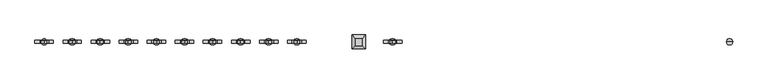
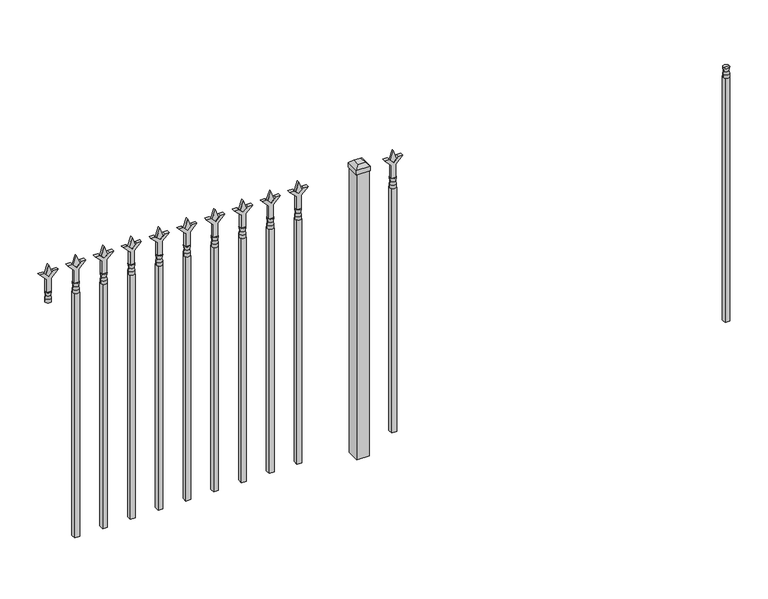
"""IFC4 building model written with IfcOpenShell, lengths in millimetres: railing geometry."""

from ifc_helpers import new_model, si_unit, frame, origin, origin_with_axes, place, context, project, spatial, polyline, circle_curve, outline, extrude, faceted_brep, source, transform, mapped, element, save
from ifc_brep_helpers import plane_surface, cylinder_surface, revolved_surface, advanced_brep


def railing_47d08b31(model_context):
    return source(origin(), model_context, "Body", "SolidModel", [
        advanced_brep(
        [(-76603.574337, -635.2570174, 1079.5), (-76627.386837, -635.2570174, 1079.5), (-76627.386837, -635.2570174, 1066.8), (-76603.574337, -635.2570174, 1066.8), (-76605.7796688, -635.2570174, 1092.0070585), (-76625.1815051, -635.2570174, 1092.0070585), (-76603.574337, -635.2570174, 1108.075), (-76627.386837, -635.2570174, 1108.075), (-76615.480587, -635.2570174, 1108.075), (-76615.480587, -635.2570174, 1066.8)],
        [
            (0, 1, circle_curve(frame((-76615.480587, -635.2570174, 1079.5), z_axis=(0.0, 0.0, -1.0), x_axis=(-1.0, 0.0, 0.0)), 11.90625)),
            (1, 2),
            (2, 3, circle_curve(frame((-76615.480587, -635.2570174, 1066.8), z_axis=(0.0, 0.0, 1.0), x_axis=(-1.0, 0.0, 0.0)), 11.90625)),
            (3, 0),
            (1, 0, circle_curve(frame((-76615.480587, -635.2570174, 1079.5), z_axis=(0.0, 0.0, -1.0), x_axis=(-1.0, 0.0, 0.0)), 11.90625)),
            (3, 2, circle_curve(frame((-76615.480587, -635.2570174, 1066.8), z_axis=(0.0, 0.0, 1.0), x_axis=(-1.0, 0.0, 0.0)), 11.90625)),
            (4, 5, circle_curve(frame((-76615.480587, -635.2570174, 1092.0070585), z_axis=(0.0, 0.0, -1.0), x_axis=(-1.0, 0.0, 0.0)), 9.7009181)),
            (5, 1),
            (0, 4),
            (5, 4, circle_curve(frame((-76615.480587, -635.2570174, 1092.0070585), z_axis=(0.0, 0.0, -1.0), x_axis=(-1.0, 0.0, 0.0)), 9.7009181)),
            (6, 7, circle_curve(frame((-76615.480587, -635.2570174, 1108.075), z_axis=(0.0, 0.0, -1.0), x_axis=(-1.0, 0.0, 0.0)), 11.90625)),
            (7, 5),
            (4, 6),
            (7, 6, circle_curve(frame((-76615.480587, -635.2570174, 1108.075), z_axis=(0.0, 0.0, -1.0), x_axis=(-1.0, 0.0, 0.0)), 11.90625)),
            (8, 7),
            (6, 8),
            (2, 9),
            (9, 3),
        ],
        [
            cylinder_surface(frame((-76615.480587, -635.2570174, 1066.8), z_axis=(0.0, 0.0, 1.0), x_axis=(-1.0, 0.0, 0.0)), 11.90625),
            revolved_surface(polyline([(-76627.386837, -635.2570174, 1079.5), (-76625.1815051, -635.2570174, 1092.0070585)]), (-76615.480587, -635.2570174, 1066.8), (0.0, 0.0, 1.0)),
            revolved_surface(polyline([(-76625.1815051, -635.2570174, 1092.0070585), (-76627.386837, -635.2570174, 1108.075)]), (-76615.480587, -635.2570174, 1066.8), (0.0, 0.0, 1.0)),
            plane_surface(frame((-76615.480587, -635.2570174, 1108.075), z_axis=(0.0, 0.0, 1.0), x_axis=(-1.0, 0.0, 0.0))),
            plane_surface(frame((-76615.480587, -635.2570174, 1066.8), z_axis=(0.0, 0.0, -1.0), x_axis=(-1.0, 0.0, 0.0))),
        ],
        [
            (0, [[1, 2, 3, 4]]),
            (0, [[5, -4, 6, -2]]),
            (1, [[7, 8, -1, 9]]),
            (1, [[10, -9, -5, -8]]),
            (2, [[11, 12, -7, 13]]),
            (2, [[14, -13, -10, -12]]),
            (3, [[15, -11, 16]]),
            (3, [[-16, -14, -15]]),
            (4, [[-3, 17, 18]]),
            (4, [[-6, -18, -17]]),
        ],
    ),
        extrude(outline(polyline([(-76625.005587, -625.7320174), (-76605.955587, -625.7320174), (-76605.955587, -644.7820174), (-76625.005587, -644.7820174), (-76625.005587, -625.7320174)])), frame((0.0, 0.0, 50.8), z_axis=(0.0, 0.0, 1.0), x_axis=(1.0, 0.0, 0.0)), (0.0, 0.0, 1.0), 1016.0),
        extrude(outline(polyline([(1183.48125, -77914.849337), (1219.2, -77926.755587), (1183.48125, -77938.661837), (1171.575, -77926.755587), (1183.48125, -77914.849337)])), frame((0.0, -640.0195174, 0.0), z_axis=(0.0, 1.0, 0.0), x_axis=(0.0, 0.0, 1.0)), (0.0, 0.0, 1.0), 9.525),
        extrude(outline(polyline([(1108.075, -77918.024337), (1162.3457378, -77918.024337), (1189.5355122, -77890.8345625), (1189.5355122, -77908.7950747), (1171.575, -77926.755587), (1189.5355122, -77944.7160992), (1189.5355122, -77962.6766114), (1162.3457378, -77935.486837), (1108.075, -77935.486837), (1108.075, -77918.024337)])), frame((0.0, -641.6070174, 0.0), z_axis=(0.0, 1.0, 0.0), x_axis=(0.0, 0.0, 1.0)), (0.0, 0.0, 1.0), 12.7),
        advanced_brep(
        [(-77914.849337, -635.2570174, 1079.5), (-77938.661837, -635.2570174, 1079.5), (-77938.661837, -635.2570174, 1066.8), (-77914.849337, -635.2570174, 1066.8), (-77917.0546688, -635.2570174, 1092.0070585), (-77936.4565051, -635.2570174, 1092.0070585), (-77914.849337, -635.2570174, 1108.075), (-77938.661837, -635.2570174, 1108.075), (-77926.755587, -635.2570174, 1108.075), (-77926.755587, -635.2570174, 1066.8)],
        [
            (0, 1, circle_curve(frame((-77926.755587, -635.2570174, 1079.5), z_axis=(0.0, 0.0, -1.0), x_axis=(-1.0, 0.0, 0.0)), 11.90625)),
            (1, 2),
            (2, 3, circle_curve(frame((-77926.755587, -635.2570174, 1066.8), z_axis=(0.0, 0.0, 1.0), x_axis=(-1.0, 0.0, 0.0)), 11.90625)),
            (3, 0),
            (1, 0, circle_curve(frame((-77926.755587, -635.2570174, 1079.5), z_axis=(0.0, 0.0, -1.0), x_axis=(-1.0, 0.0, 0.0)), 11.90625)),
            (3, 2, circle_curve(frame((-77926.755587, -635.2570174, 1066.8), z_axis=(0.0, 0.0, 1.0), x_axis=(-1.0, 0.0, 0.0)), 11.90625)),
            (4, 5, circle_curve(frame((-77926.755587, -635.2570174, 1092.0070585), z_axis=(0.0, 0.0, -1.0), x_axis=(-1.0, 0.0, 0.0)), 9.7009181)),
            (5, 1),
            (0, 4),
            (5, 4, circle_curve(frame((-77926.755587, -635.2570174, 1092.0070585), z_axis=(0.0, 0.0, -1.0), x_axis=(-1.0, 0.0, 0.0)), 9.7009181)),
            (6, 7, circle_curve(frame((-77926.755587, -635.2570174, 1108.075), z_axis=(0.0, 0.0, -1.0), x_axis=(-1.0, 0.0, 0.0)), 11.90625)),
            (7, 5),
            (4, 6),
            (7, 6, circle_curve(frame((-77926.755587, -635.2570174, 1108.075), z_axis=(0.0, 0.0, -1.0), x_axis=(-1.0, 0.0, 0.0)), 11.90625)),
            (8, 7),
            (6, 8),
            (2, 9),
            (9, 3),
        ],
        [
            cylinder_surface(frame((-77926.755587, -635.2570174, 1066.8), z_axis=(0.0, 0.0, 1.0), x_axis=(-1.0, 0.0, 0.0)), 11.90625),
            revolved_surface(polyline([(-77938.661837, -635.2570174, 1079.5), (-77936.4565051, -635.2570174, 1092.0070585)]), (-77926.755587, -635.2570174, 1066.8), (0.0, 0.0, 1.0)),
            revolved_surface(polyline([(-77936.4565051, -635.2570174, 1092.0070585), (-77938.661837, -635.2570174, 1108.075)]), (-77926.755587, -635.2570174, 1066.8), (0.0, 0.0, 1.0)),
            plane_surface(frame((-77926.755587, -635.2570174, 1108.075), z_axis=(0.0, 0.0, 1.0), x_axis=(-1.0, 0.0, 0.0))),
            plane_surface(frame((-77926.755587, -635.2570174, 1066.8), z_axis=(0.0, 0.0, -1.0), x_axis=(-1.0, 0.0, 0.0))),
        ],
        [
            (0, [[1, 2, 3, 4]]),
            (0, [[5, -4, 6, -2]]),
            (1, [[7, 8, -1, 9]]),
            (1, [[10, -9, -5, -8]]),
            (2, [[11, 12, -7, 13]]),
            (2, [[14, -13, -10, -12]]),
            (3, [[15, -11, 16]]),
            (3, [[-16, -14, -15]]),
            (4, [[-3, 17, 18]]),
            (4, [[-6, -18, -17]]),
        ],
    ),
        extrude(outline(polyline([(-77936.280587, -625.7320174), (-77917.230587, -625.7320174), (-77917.230587, -644.7820174), (-77936.280587, -644.7820174), (-77936.280587, -625.7320174)])), frame((0.0, 0.0, 50.8), z_axis=(0.0, 0.0, 1.0), x_axis=(1.0, 0.0, 0.0)), (0.0, 0.0, 1.0), 1016.0),
        extrude(outline(polyline([(-78033.118087, -609.8570174), (-78033.118087, -660.6570174), (-78083.918087, -660.6570174), (-78083.918087, -609.8570174), (-78033.118087, -609.8570174)])), origin_with_axes(), (0.0, 0.0, 1.0), 1187.45),
        faceted_brep([(-78085.505587, -608.2695174, 1206.5), (-78085.505587, -608.2695174, 1187.45), (-78085.505587, -662.2445174, 1187.45), (-78085.505587, -662.2445174, 1206.5), (-78072.805587, -620.9695174, 1219.2), (-78072.805587, -649.5445174, 1219.2), (-78031.530587, -662.2445174, 1187.45), (-78031.530587, -662.2445174, 1206.5), (-78044.230587, -649.5445174, 1219.2), (-78031.530587, -608.2695174, 1187.45), (-78031.530587, -608.2695174, 1206.5), (-78044.230587, -620.9695174, 1219.2)], [[[0, 1, 2, 3]], [[4, 0, 3, 5]], [[3, 2, 6, 7]], [[5, 3, 7, 8]], [[7, 6, 9, 10]], [[8, 7, 10, 11]], [[10, 9, 1, 0]], [[11, 10, 0, 4]], [[5, 8, 11, 4]], [[1, 9, 6, 2]]]),
        extrude(outline(polyline([(1183.48125, -78287.6472536), (1219.2, -78299.5535036), (1183.48125, -78311.4597536), (1171.575, -78299.5535036), (1183.48125, -78287.6472536)])), frame((0.0, -640.0195174, 0.0), z_axis=(0.0, 1.0, 0.0), x_axis=(0.0, 0.0, 1.0)), (0.0, 0.0, 1.0), 9.525),
        extrude(outline(polyline([(1108.075, -78290.8222536), (1162.3457378, -78290.8222536), (1189.5355122, -78263.6324791), (1189.5355122, -78281.5929914), (1171.575, -78299.5535036), (1189.5355122, -78317.5140159), (1189.5355122, -78335.4745281), (1162.3457378, -78308.2847536), (1108.075, -78308.2847536), (1108.075, -78290.8222536)])), frame((0.0, -641.6070174, 0.0), z_axis=(0.0, 1.0, 0.0), x_axis=(0.0, 0.0, 1.0)), (0.0, 0.0, 1.0), 12.7),
        advanced_brep(
        [(-78287.6472536, -635.2570174, 1079.5), (-78311.4597536, -635.2570174, 1079.5), (-78311.4597536, -635.2570174, 1066.8), (-78287.6472536, -635.2570174, 1066.8), (-78289.8525855, -635.2570174, 1092.0070585), (-78309.2544218, -635.2570174, 1092.0070585), (-78287.6472536, -635.2570174, 1108.075), (-78311.4597536, -635.2570174, 1108.075), (-78299.5535036, -635.2570174, 1108.075), (-78299.5535036, -635.2570174, 1066.8)],
        [
            (0, 1, circle_curve(frame((-78299.5535036, -635.2570174, 1079.5), z_axis=(0.0, 0.0, -1.0), x_axis=(-1.0, 0.0, 0.0)), 11.90625)),
            (1, 2),
            (2, 3, circle_curve(frame((-78299.5535036, -635.2570174, 1066.8), z_axis=(0.0, 0.0, 1.0), x_axis=(-1.0, 0.0, 0.0)), 11.90625)),
            (3, 0),
            (1, 0, circle_curve(frame((-78299.5535036, -635.2570174, 1079.5), z_axis=(0.0, 0.0, -1.0), x_axis=(-1.0, 0.0, 0.0)), 11.90625)),
            (3, 2, circle_curve(frame((-78299.5535036, -635.2570174, 1066.8), z_axis=(0.0, 0.0, 1.0), x_axis=(-1.0, 0.0, 0.0)), 11.90625)),
            (4, 5, circle_curve(frame((-78299.5535036, -635.2570174, 1092.0070585), z_axis=(0.0, 0.0, -1.0), x_axis=(-1.0, 0.0, 0.0)), 9.7009181)),
            (5, 1),
            (0, 4),
            (5, 4, circle_curve(frame((-78299.5535036, -635.2570174, 1092.0070585), z_axis=(0.0, 0.0, -1.0), x_axis=(-1.0, 0.0, 0.0)), 9.7009181)),
            (6, 7, circle_curve(frame((-78299.5535036, -635.2570174, 1108.075), z_axis=(0.0, 0.0, -1.0), x_axis=(-1.0, 0.0, 0.0)), 11.90625)),
            (7, 5),
            (4, 6),
            (7, 6, circle_curve(frame((-78299.5535036, -635.2570174, 1108.075), z_axis=(0.0, 0.0, -1.0), x_axis=(-1.0, 0.0, 0.0)), 11.90625)),
            (8, 7),
            (6, 8),
            (2, 9),
            (9, 3),
        ],
        [
            cylinder_surface(frame((-78299.5535036, -635.2570174, 1066.8), z_axis=(0.0, 0.0, 1.0), x_axis=(-1.0, 0.0, 0.0)), 11.90625),
            revolved_surface(polyline([(-78311.4597536, -635.2570174, 1079.5), (-78309.2544218, -635.2570174, 1092.0070585)]), (-78299.5535036, -635.2570174, 1066.8), (0.0, 0.0, 1.0)),
            revolved_surface(polyline([(-78309.2544218, -635.2570174, 1092.0070585), (-78311.4597536, -635.2570174, 1108.075)]), (-78299.5535036, -635.2570174, 1066.8), (0.0, 0.0, 1.0)),
            plane_surface(frame((-78299.5535036, -635.2570174, 1108.075), z_axis=(0.0, 0.0, 1.0), x_axis=(-1.0, 0.0, 0.0))),
            plane_surface(frame((-78299.5535036, -635.2570174, 1066.8), z_axis=(0.0, 0.0, -1.0), x_axis=(-1.0, 0.0, 0.0))),
        ],
        [
            (0, [[1, 2, 3, 4]]),
            (0, [[5, -4, 6, -2]]),
            (1, [[7, 8, -1, 9]]),
            (1, [[10, -9, -5, -8]]),
            (2, [[11, 12, -7, 13]]),
            (2, [[14, -13, -10, -12]]),
            (3, [[15, -11, 16]]),
            (3, [[-16, -14, -15]]),
            (4, [[-3, 17, 18]]),
            (4, [[-6, -18, -17]]),
        ],
    ),
        extrude(outline(polyline([(-78309.0785036, -625.7320174), (-78290.0285036, -625.7320174), (-78290.0285036, -644.7820174), (-78309.0785036, -644.7820174), (-78309.0785036, -625.7320174)])), frame((0.0, 0.0, 50.8), z_axis=(0.0, 0.0, 1.0), x_axis=(1.0, 0.0, 0.0)), (0.0, 0.0, 1.0), 1016.0),
        extrude(outline(polyline([(1183.48125, -78396.9201703), (1219.2, -78408.8264203), (1183.48125, -78420.7326703), (1171.575, -78408.8264203), (1183.48125, -78396.9201703)])), frame((0.0, -640.0195174, 0.0), z_axis=(0.0, 1.0, 0.0), x_axis=(0.0, 0.0, 1.0)), (0.0, 0.0, 1.0), 9.525),
        extrude(outline(polyline([(1108.075, -78400.0951703), (1162.3457378, -78400.0951703), (1189.5355122, -78372.9053958), (1189.5355122, -78390.8659081), (1171.575, -78408.8264203), (1189.5355122, -78426.7869325), (1189.5355122, -78444.7474448), (1162.3457378, -78417.5576703), (1108.075, -78417.5576703), (1108.075, -78400.0951703)])), frame((0.0, -641.6070174, 0.0), z_axis=(0.0, 1.0, 0.0), x_axis=(0.0, 0.0, 1.0)), (0.0, 0.0, 1.0), 12.7),
        advanced_brep(
        [(-78396.9201703, -635.2570174, 1079.5), (-78420.7326703, -635.2570174, 1079.5), (-78420.7326703, -635.2570174, 1066.8), (-78396.9201703, -635.2570174, 1066.8), (-78399.1255022, -635.2570174, 1092.0070585), (-78418.5273384, -635.2570174, 1092.0070585), (-78396.9201703, -635.2570174, 1108.075), (-78420.7326703, -635.2570174, 1108.075), (-78408.8264203, -635.2570174, 1108.075), (-78408.8264203, -635.2570174, 1066.8)],
        [
            (0, 1, circle_curve(frame((-78408.8264203, -635.2570174, 1079.5), z_axis=(0.0, 0.0, -1.0), x_axis=(-1.0, 0.0, 0.0)), 11.90625)),
            (1, 2),
            (2, 3, circle_curve(frame((-78408.8264203, -635.2570174, 1066.8), z_axis=(0.0, 0.0, 1.0), x_axis=(-1.0, 0.0, 0.0)), 11.90625)),
            (3, 0),
            (1, 0, circle_curve(frame((-78408.8264203, -635.2570174, 1079.5), z_axis=(0.0, 0.0, -1.0), x_axis=(-1.0, 0.0, 0.0)), 11.90625)),
            (3, 2, circle_curve(frame((-78408.8264203, -635.2570174, 1066.8), z_axis=(0.0, 0.0, 1.0), x_axis=(-1.0, 0.0, 0.0)), 11.90625)),
            (4, 5, circle_curve(frame((-78408.8264203, -635.2570174, 1092.0070585), z_axis=(0.0, 0.0, -1.0), x_axis=(-1.0, 0.0, 0.0)), 9.7009181)),
            (5, 1),
            (0, 4),
            (5, 4, circle_curve(frame((-78408.8264203, -635.2570174, 1092.0070585), z_axis=(0.0, 0.0, -1.0), x_axis=(-1.0, 0.0, 0.0)), 9.7009181)),
            (6, 7, circle_curve(frame((-78408.8264203, -635.2570174, 1108.075), z_axis=(0.0, 0.0, -1.0), x_axis=(-1.0, 0.0, 0.0)), 11.90625)),
            (7, 5),
            (4, 6),
            (7, 6, circle_curve(frame((-78408.8264203, -635.2570174, 1108.075), z_axis=(0.0, 0.0, -1.0), x_axis=(-1.0, 0.0, 0.0)), 11.90625)),
            (8, 7),
            (6, 8),
            (2, 9),
            (9, 3),
        ],
        [
            cylinder_surface(frame((-78408.8264203, -635.2570174, 1066.8), z_axis=(0.0, 0.0, 1.0), x_axis=(-1.0, 0.0, 0.0)), 11.90625),
            revolved_surface(polyline([(-78420.7326703, -635.2570174, 1079.5), (-78418.5273384, -635.2570174, 1092.0070585)]), (-78408.8264203, -635.2570174, 1066.8), (0.0, 0.0, 1.0)),
            revolved_surface(polyline([(-78418.5273384, -635.2570174, 1092.0070585), (-78420.7326703, -635.2570174, 1108.075)]), (-78408.8264203, -635.2570174, 1066.8), (0.0, 0.0, 1.0)),
            plane_surface(frame((-78408.8264203, -635.2570174, 1108.075), z_axis=(0.0, 0.0, 1.0), x_axis=(-1.0, 0.0, 0.0))),
            plane_surface(frame((-78408.8264203, -635.2570174, 1066.8), z_axis=(0.0, 0.0, -1.0), x_axis=(-1.0, 0.0, 0.0))),
        ],
        [
            (0, [[1, 2, 3, 4]]),
            (0, [[5, -4, 6, -2]]),
            (1, [[7, 8, -1, 9]]),
            (1, [[10, -9, -5, -8]]),
            (2, [[11, 12, -7, 13]]),
            (2, [[14, -13, -10, -12]]),
            (3, [[15, -11, 16]]),
            (3, [[-16, -14, -15]]),
            (4, [[-3, 17, 18]]),
            (4, [[-6, -18, -17]]),
        ],
    ),
        extrude(outline(polyline([(-78418.3514203, -625.7320174), (-78399.3014203, -625.7320174), (-78399.3014203, -644.7820174), (-78418.3514203, -644.7820174), (-78418.3514203, -625.7320174)])), frame((0.0, 0.0, 50.8), z_axis=(0.0, 0.0, 1.0), x_axis=(1.0, 0.0, 0.0)), (0.0, 0.0, 1.0), 1016.0),
        extrude(outline(polyline([(1183.48125, -78506.193087), (1219.2, -78518.099337), (1183.48125, -78530.005587), (1171.575, -78518.099337), (1183.48125, -78506.193087)])), frame((0.0, -640.0195174, 0.0), z_axis=(0.0, 1.0, 0.0), x_axis=(0.0, 0.0, 1.0)), (0.0, 0.0, 1.0), 9.525),
        extrude(outline(polyline([(1108.075, -78509.368087), (1162.3457378, -78509.368087), (1189.5355122, -78482.1783125), (1189.5355122, -78500.1388247), (1171.575, -78518.099337), (1189.5355122, -78536.0598492), (1189.5355122, -78554.0203614), (1162.3457378, -78526.830587), (1108.075, -78526.830587), (1108.075, -78509.368087)])), frame((0.0, -641.6070174, 0.0), z_axis=(0.0, 1.0, 0.0), x_axis=(0.0, 0.0, 1.0)), (0.0, 0.0, 1.0), 12.7),
        advanced_brep(
        [(-78506.193087, -635.2570174, 1079.5), (-78530.005587, -635.2570174, 1079.5), (-78530.005587, -635.2570174, 1066.8), (-78506.193087, -635.2570174, 1066.8), (-78508.3984188, -635.2570174, 1092.0070585), (-78527.8002551, -635.2570174, 1092.0070585), (-78506.193087, -635.2570174, 1108.075), (-78530.005587, -635.2570174, 1108.075), (-78518.099337, -635.2570174, 1108.075), (-78518.099337, -635.2570174, 1066.8)],
        [
            (0, 1, circle_curve(frame((-78518.099337, -635.2570174, 1079.5), z_axis=(0.0, 0.0, -1.0), x_axis=(-1.0, 0.0, 0.0)), 11.90625)),
            (1, 2),
            (2, 3, circle_curve(frame((-78518.099337, -635.2570174, 1066.8), z_axis=(0.0, 0.0, 1.0), x_axis=(-1.0, 0.0, 0.0)), 11.90625)),
            (3, 0),
            (1, 0, circle_curve(frame((-78518.099337, -635.2570174, 1079.5), z_axis=(0.0, 0.0, -1.0), x_axis=(-1.0, 0.0, 0.0)), 11.90625)),
            (3, 2, circle_curve(frame((-78518.099337, -635.2570174, 1066.8), z_axis=(0.0, 0.0, 1.0), x_axis=(-1.0, 0.0, 0.0)), 11.90625)),
            (4, 5, circle_curve(frame((-78518.099337, -635.2570174, 1092.0070585), z_axis=(0.0, 0.0, -1.0), x_axis=(-1.0, 0.0, 0.0)), 9.7009181)),
            (5, 1),
            (0, 4),
            (5, 4, circle_curve(frame((-78518.099337, -635.2570174, 1092.0070585), z_axis=(0.0, 0.0, -1.0), x_axis=(-1.0, 0.0, 0.0)), 9.7009181)),
            (6, 7, circle_curve(frame((-78518.099337, -635.2570174, 1108.075), z_axis=(0.0, 0.0, -1.0), x_axis=(-1.0, 0.0, 0.0)), 11.90625)),
            (7, 5),
            (4, 6),
            (7, 6, circle_curve(frame((-78518.099337, -635.2570174, 1108.075), z_axis=(0.0, 0.0, -1.0), x_axis=(-1.0, 0.0, 0.0)), 11.90625)),
            (8, 7),
            (6, 8),
            (2, 9),
            (9, 3),
        ],
        [
            cylinder_surface(frame((-78518.099337, -635.2570174, 1066.8), z_axis=(0.0, 0.0, 1.0), x_axis=(-1.0, 0.0, 0.0)), 11.90625),
            revolved_surface(polyline([(-78530.005587, -635.2570174, 1079.5), (-78527.8002551, -635.2570174, 1092.0070585)]), (-78518.099337, -635.2570174, 1066.8), (0.0, 0.0, 1.0)),
            revolved_surface(polyline([(-78527.8002551, -635.2570174, 1092.0070585), (-78530.005587, -635.2570174, 1108.075)]), (-78518.099337, -635.2570174, 1066.8), (0.0, 0.0, 1.0)),
            plane_surface(frame((-78518.099337, -635.2570174, 1108.075), z_axis=(0.0, 0.0, 1.0), x_axis=(-1.0, 0.0, 0.0))),
            plane_surface(frame((-78518.099337, -635.2570174, 1066.8), z_axis=(0.0, 0.0, -1.0), x_axis=(-1.0, 0.0, 0.0))),
        ],
        [
            (0, [[1, 2, 3, 4]]),
            (0, [[5, -4, 6, -2]]),
            (1, [[7, 8, -1, 9]]),
            (1, [[10, -9, -5, -8]]),
            (2, [[11, 12, -7, 13]]),
            (2, [[14, -13, -10, -12]]),
            (3, [[15, -11, 16]]),
            (3, [[-16, -14, -15]]),
            (4, [[-3, 17, 18]]),
            (4, [[-6, -18, -17]]),
        ],
    ),
        extrude(outline(polyline([(-78527.624337, -625.7320174), (-78508.574337, -625.7320174), (-78508.574337, -644.7820174), (-78527.624337, -644.7820174), (-78527.624337, -625.7320174)])), frame((0.0, 0.0, 50.8), z_axis=(0.0, 0.0, 1.0), x_axis=(1.0, 0.0, 0.0)), (0.0, 0.0, 1.0), 1016.0),
        extrude(outline(polyline([(1183.48125, -78615.4660036), (1219.2, -78627.3722536), (1183.48125, -78639.2785036), (1171.575, -78627.3722536), (1183.48125, -78615.4660036)])), frame((0.0, -640.0195174, 0.0), z_axis=(0.0, 1.0, 0.0), x_axis=(0.0, 0.0, 1.0)), (0.0, 0.0, 1.0), 9.525),
        extrude(outline(polyline([(1108.075, -78618.6410036), (1162.3457378, -78618.6410036), (1189.5355122, -78591.4512291), (1189.5355122, -78609.4117414), (1171.575, -78627.3722536), (1189.5355122, -78645.3327659), (1189.5355122, -78663.2932781), (1162.3457378, -78636.1035036), (1108.075, -78636.1035036), (1108.075, -78618.6410036)])), frame((0.0, -641.6070174, 0.0), z_axis=(0.0, 1.0, 0.0), x_axis=(0.0, 0.0, 1.0)), (0.0, 0.0, 1.0), 12.7),
        advanced_brep(
        [(-78615.4660036, -635.2570174, 1079.5), (-78639.2785036, -635.2570174, 1079.5), (-78639.2785036, -635.2570174, 1066.8), (-78615.4660036, -635.2570174, 1066.8), (-78617.6713355, -635.2570174, 1092.0070585), (-78637.0731718, -635.2570174, 1092.0070585), (-78615.4660036, -635.2570174, 1108.075), (-78639.2785036, -635.2570174, 1108.075), (-78627.3722536, -635.2570174, 1108.075), (-78627.3722536, -635.2570174, 1066.8)],
        [
            (0, 1, circle_curve(frame((-78627.3722536, -635.2570174, 1079.5), z_axis=(0.0, 0.0, -1.0), x_axis=(-1.0, 0.0, 0.0)), 11.90625)),
            (1, 2),
            (2, 3, circle_curve(frame((-78627.3722536, -635.2570174, 1066.8), z_axis=(0.0, 0.0, 1.0), x_axis=(-1.0, 0.0, 0.0)), 11.90625)),
            (3, 0),
            (1, 0, circle_curve(frame((-78627.3722536, -635.2570174, 1079.5), z_axis=(0.0, 0.0, -1.0), x_axis=(-1.0, 0.0, 0.0)), 11.90625)),
            (3, 2, circle_curve(frame((-78627.3722536, -635.2570174, 1066.8), z_axis=(0.0, 0.0, 1.0), x_axis=(-1.0, 0.0, 0.0)), 11.90625)),
            (4, 5, circle_curve(frame((-78627.3722536, -635.2570174, 1092.0070585), z_axis=(0.0, 0.0, -1.0), x_axis=(-1.0, 0.0, 0.0)), 9.7009181)),
            (5, 1),
            (0, 4),
            (5, 4, circle_curve(frame((-78627.3722536, -635.2570174, 1092.0070585), z_axis=(0.0, 0.0, -1.0), x_axis=(-1.0, 0.0, 0.0)), 9.7009181)),
            (6, 7, circle_curve(frame((-78627.3722536, -635.2570174, 1108.075), z_axis=(0.0, 0.0, -1.0), x_axis=(-1.0, 0.0, 0.0)), 11.90625)),
            (7, 5),
            (4, 6),
            (7, 6, circle_curve(frame((-78627.3722536, -635.2570174, 1108.075), z_axis=(0.0, 0.0, -1.0), x_axis=(-1.0, 0.0, 0.0)), 11.90625)),
            (8, 7),
            (6, 8),
            (2, 9),
            (9, 3),
        ],
        [
            cylinder_surface(frame((-78627.3722536, -635.2570174, 1066.8), z_axis=(0.0, 0.0, 1.0), x_axis=(-1.0, 0.0, 0.0)), 11.90625),
            revolved_surface(polyline([(-78639.2785036, -635.2570174, 1079.5), (-78637.0731718, -635.2570174, 1092.0070585)]), (-78627.3722536, -635.2570174, 1066.8), (0.0, 0.0, 1.0)),
            revolved_surface(polyline([(-78637.0731718, -635.2570174, 1092.0070585), (-78639.2785036, -635.2570174, 1108.075)]), (-78627.3722536, -635.2570174, 1066.8), (0.0, 0.0, 1.0)),
            plane_surface(frame((-78627.3722536, -635.2570174, 1108.075), z_axis=(0.0, 0.0, 1.0), x_axis=(-1.0, 0.0, 0.0))),
            plane_surface(frame((-78627.3722536, -635.2570174, 1066.8), z_axis=(0.0, 0.0, -1.0), x_axis=(-1.0, 0.0, 0.0))),
        ],
        [
            (0, [[1, 2, 3, 4]]),
            (0, [[5, -4, 6, -2]]),
            (1, [[7, 8, -1, 9]]),
            (1, [[10, -9, -5, -8]]),
            (2, [[11, 12, -7, 13]]),
            (2, [[14, -13, -10, -12]]),
            (3, [[15, -11, 16]]),
            (3, [[-16, -14, -15]]),
            (4, [[-3, 17, 18]]),
            (4, [[-6, -18, -17]]),
        ],
    ),
        extrude(outline(polyline([(-78636.8972536, -625.7320174), (-78617.8472536, -625.7320174), (-78617.8472536, -644.7820174), (-78636.8972536, -644.7820174), (-78636.8972536, -625.7320174)])), frame((0.0, 0.0, 50.8), z_axis=(0.0, 0.0, 1.0), x_axis=(1.0, 0.0, 0.0)), (0.0, 0.0, 1.0), 1016.0),
        extrude(outline(polyline([(1183.48125, -78724.7389203), (1219.2, -78736.6451703), (1183.48125, -78748.5514203), (1171.575, -78736.6451703), (1183.48125, -78724.7389203)])), frame((0.0, -640.0195174, 0.0), z_axis=(0.0, 1.0, 0.0), x_axis=(0.0, 0.0, 1.0)), (0.0, 0.0, 1.0), 9.525),
        extrude(outline(polyline([(1108.075, -78727.9139203), (1162.3457378, -78727.9139203), (1189.5355122, -78700.7241458), (1189.5355122, -78718.6846581), (1171.575, -78736.6451703), (1189.5355122, -78754.6056825), (1189.5355122, -78772.5661948), (1162.3457378, -78745.3764203), (1108.075, -78745.3764203), (1108.075, -78727.9139203)])), frame((0.0, -641.6070174, 0.0), z_axis=(0.0, 1.0, 0.0), x_axis=(0.0, 0.0, 1.0)), (0.0, 0.0, 1.0), 12.7),
        advanced_brep(
        [(-78724.7389203, -635.2570174, 1079.5), (-78748.5514203, -635.2570174, 1079.5), (-78748.5514203, -635.2570174, 1066.8), (-78724.7389203, -635.2570174, 1066.8), (-78726.9442522, -635.2570174, 1092.0070585), (-78746.3460884, -635.2570174, 1092.0070585), (-78724.7389203, -635.2570174, 1108.075), (-78748.5514203, -635.2570174, 1108.075), (-78736.6451703, -635.2570174, 1108.075), (-78736.6451703, -635.2570174, 1066.8)],
        [
            (0, 1, circle_curve(frame((-78736.6451703, -635.2570174, 1079.5), z_axis=(0.0, 0.0, -1.0), x_axis=(-1.0, 0.0, 0.0)), 11.90625)),
            (1, 2),
            (2, 3, circle_curve(frame((-78736.6451703, -635.2570174, 1066.8), z_axis=(0.0, 0.0, 1.0), x_axis=(-1.0, 0.0, 0.0)), 11.90625)),
            (3, 0),
            (1, 0, circle_curve(frame((-78736.6451703, -635.2570174, 1079.5), z_axis=(0.0, 0.0, -1.0), x_axis=(-1.0, 0.0, 0.0)), 11.90625)),
            (3, 2, circle_curve(frame((-78736.6451703, -635.2570174, 1066.8), z_axis=(0.0, 0.0, 1.0), x_axis=(-1.0, 0.0, 0.0)), 11.90625)),
            (4, 5, circle_curve(frame((-78736.6451703, -635.2570174, 1092.0070585), z_axis=(0.0, 0.0, -1.0), x_axis=(-1.0, 0.0, 0.0)), 9.7009181)),
            (5, 1),
            (0, 4),
            (5, 4, circle_curve(frame((-78736.6451703, -635.2570174, 1092.0070585), z_axis=(0.0, 0.0, -1.0), x_axis=(-1.0, 0.0, 0.0)), 9.7009181)),
            (6, 7, circle_curve(frame((-78736.6451703, -635.2570174, 1108.075), z_axis=(0.0, 0.0, -1.0), x_axis=(-1.0, 0.0, 0.0)), 11.90625)),
            (7, 5),
            (4, 6),
            (7, 6, circle_curve(frame((-78736.6451703, -635.2570174, 1108.075), z_axis=(0.0, 0.0, -1.0), x_axis=(-1.0, 0.0, 0.0)), 11.90625)),
            (8, 7),
            (6, 8),
            (2, 9),
            (9, 3),
        ],
        [
            cylinder_surface(frame((-78736.6451703, -635.2570174, 1066.8), z_axis=(0.0, 0.0, 1.0), x_axis=(-1.0, 0.0, 0.0)), 11.90625),
            revolved_surface(polyline([(-78748.5514203, -635.2570174, 1079.5), (-78746.3460884, -635.2570174, 1092.0070585)]), (-78736.6451703, -635.2570174, 1066.8), (0.0, 0.0, 1.0)),
            revolved_surface(polyline([(-78746.3460884, -635.2570174, 1092.0070585), (-78748.5514203, -635.2570174, 1108.075)]), (-78736.6451703, -635.2570174, 1066.8), (0.0, 0.0, 1.0)),
            plane_surface(frame((-78736.6451703, -635.2570174, 1108.075), z_axis=(0.0, 0.0, 1.0), x_axis=(-1.0, 0.0, 0.0))),
            plane_surface(frame((-78736.6451703, -635.2570174, 1066.8), z_axis=(0.0, 0.0, -1.0), x_axis=(-1.0, 0.0, 0.0))),
        ],
        [
            (0, [[1, 2, 3, 4]]),
            (0, [[5, -4, 6, -2]]),
            (1, [[7, 8, -1, 9]]),
            (1, [[10, -9, -5, -8]]),
            (2, [[11, 12, -7, 13]]),
            (2, [[14, -13, -10, -12]]),
            (3, [[15, -11, 16]]),
            (3, [[-16, -14, -15]]),
            (4, [[-3, 17, 18]]),
            (4, [[-6, -18, -17]]),
        ],
    ),
        extrude(outline(polyline([(-78746.1701703, -625.7320174), (-78727.1201703, -625.7320174), (-78727.1201703, -644.7820174), (-78746.1701703, -644.7820174), (-78746.1701703, -625.7320174)])), frame((0.0, 0.0, 50.8), z_axis=(0.0, 0.0, 1.0), x_axis=(1.0, 0.0, 0.0)), (0.0, 0.0, 1.0), 1016.0),
        extrude(outline(polyline([(1183.48125, -78834.011837), (1219.2, -78845.918087), (1183.48125, -78857.824337), (1171.575, -78845.918087), (1183.48125, -78834.011837)])), frame((0.0, -640.0195174, 0.0), z_axis=(0.0, 1.0, 0.0), x_axis=(0.0, 0.0, 1.0)), (0.0, 0.0, 1.0), 9.525),
        extrude(outline(polyline([(1108.075, -78837.186837), (1162.3457378, -78837.186837), (1189.5355122, -78809.9970625), (1189.5355122, -78827.9575747), (1171.575, -78845.918087), (1189.5355122, -78863.8785992), (1189.5355122, -78881.8391114), (1162.3457378, -78854.649337), (1108.075, -78854.649337), (1108.075, -78837.186837)])), frame((0.0, -641.6070174, 0.0), z_axis=(0.0, 1.0, 0.0), x_axis=(0.0, 0.0, 1.0)), (0.0, 0.0, 1.0), 12.7),
        advanced_brep(
        [(-78834.011837, -635.2570174, 1079.5), (-78857.824337, -635.2570174, 1079.5), (-78857.824337, -635.2570174, 1066.8), (-78834.011837, -635.2570174, 1066.8), (-78836.2171688, -635.2570174, 1092.0070585), (-78855.6190051, -635.2570174, 1092.0070585), (-78834.011837, -635.2570174, 1108.075), (-78857.824337, -635.2570174, 1108.075), (-78845.918087, -635.2570174, 1108.075), (-78845.918087, -635.2570174, 1066.8)],
        [
            (0, 1, circle_curve(frame((-78845.918087, -635.2570174, 1079.5), z_axis=(0.0, 0.0, -1.0), x_axis=(-1.0, 0.0, 0.0)), 11.90625)),
            (1, 2),
            (2, 3, circle_curve(frame((-78845.918087, -635.2570174, 1066.8), z_axis=(0.0, 0.0, 1.0), x_axis=(-1.0, 0.0, 0.0)), 11.90625)),
            (3, 0),
            (1, 0, circle_curve(frame((-78845.918087, -635.2570174, 1079.5), z_axis=(0.0, 0.0, -1.0), x_axis=(-1.0, 0.0, 0.0)), 11.90625)),
            (3, 2, circle_curve(frame((-78845.918087, -635.2570174, 1066.8), z_axis=(0.0, 0.0, 1.0), x_axis=(-1.0, 0.0, 0.0)), 11.90625)),
            (4, 5, circle_curve(frame((-78845.918087, -635.2570174, 1092.0070585), z_axis=(0.0, 0.0, -1.0), x_axis=(-1.0, 0.0, 0.0)), 9.7009181)),
            (5, 1),
            (0, 4),
            (5, 4, circle_curve(frame((-78845.918087, -635.2570174, 1092.0070585), z_axis=(0.0, 0.0, -1.0), x_axis=(-1.0, 0.0, 0.0)), 9.7009181)),
            (6, 7, circle_curve(frame((-78845.918087, -635.2570174, 1108.075), z_axis=(0.0, 0.0, -1.0), x_axis=(-1.0, 0.0, 0.0)), 11.90625)),
            (7, 5),
            (4, 6),
            (7, 6, circle_curve(frame((-78845.918087, -635.2570174, 1108.075), z_axis=(0.0, 0.0, -1.0), x_axis=(-1.0, 0.0, 0.0)), 11.90625)),
            (8, 7),
            (6, 8),
            (2, 9),
            (9, 3),
        ],
        [
            cylinder_surface(frame((-78845.918087, -635.2570174, 1066.8), z_axis=(0.0, 0.0, 1.0), x_axis=(-1.0, 0.0, 0.0)), 11.90625),
            revolved_surface(polyline([(-78857.824337, -635.2570174, 1079.5), (-78855.6190051, -635.2570174, 1092.0070585)]), (-78845.918087, -635.2570174, 1066.8), (0.0, 0.0, 1.0)),
            revolved_surface(polyline([(-78855.6190051, -635.2570174, 1092.0070585), (-78857.824337, -635.2570174, 1108.075)]), (-78845.918087, -635.2570174, 1066.8), (0.0, 0.0, 1.0)),
            plane_surface(frame((-78845.918087, -635.2570174, 1108.075), z_axis=(0.0, 0.0, 1.0), x_axis=(-1.0, 0.0, 0.0))),
            plane_surface(frame((-78845.918087, -635.2570174, 1066.8), z_axis=(0.0, 0.0, -1.0), x_axis=(-1.0, 0.0, 0.0))),
        ],
        [
            (0, [[1, 2, 3, 4]]),
            (0, [[5, -4, 6, -2]]),
            (1, [[7, 8, -1, 9]]),
            (1, [[10, -9, -5, -8]]),
            (2, [[11, 12, -7, 13]]),
            (2, [[14, -13, -10, -12]]),
            (3, [[15, -11, 16]]),
            (3, [[-16, -14, -15]]),
            (4, [[-3, 17, 18]]),
            (4, [[-6, -18, -17]]),
        ],
    ),
        extrude(outline(polyline([(-78855.443087, -625.7320174), (-78836.393087, -625.7320174), (-78836.393087, -644.7820174), (-78855.443087, -644.7820174), (-78855.443087, -625.7320174)])), frame((0.0, 0.0, 50.8), z_axis=(0.0, 0.0, 1.0), x_axis=(1.0, 0.0, 0.0)), (0.0, 0.0, 1.0), 1016.0),
        extrude(outline(polyline([(1183.48125, -78943.2847536), (1219.2, -78955.1910036), (1183.48125, -78967.0972536), (1171.575, -78955.1910036), (1183.48125, -78943.2847536)])), frame((0.0, -640.0195174, 0.0), z_axis=(0.0, 1.0, 0.0), x_axis=(0.0, 0.0, 1.0)), (0.0, 0.0, 1.0), 9.525),
        extrude(outline(polyline([(1108.075, -78946.4597536), (1162.3457378, -78946.4597536), (1189.5355122, -78919.2699791), (1189.5355122, -78937.2304914), (1171.575, -78955.1910036), (1189.5355122, -78973.1515159), (1189.5355122, -78991.1120281), (1162.3457378, -78963.9222536), (1108.075, -78963.9222536), (1108.075, -78946.4597536)])), frame((0.0, -641.6070174, 0.0), z_axis=(0.0, 1.0, 0.0), x_axis=(0.0, 0.0, 1.0)), (0.0, 0.0, 1.0), 12.7),
        advanced_brep(
        [(-78943.2847536, -635.2570174, 1079.5), (-78967.0972536, -635.2570174, 1079.5), (-78967.0972536, -635.2570174, 1066.8), (-78943.2847536, -635.2570174, 1066.8), (-78945.4900855, -635.2570174, 1092.0070585), (-78964.8919218, -635.2570174, 1092.0070585), (-78943.2847536, -635.2570174, 1108.075), (-78967.0972536, -635.2570174, 1108.075), (-78955.1910036, -635.2570174, 1108.075), (-78955.1910036, -635.2570174, 1066.8)],
        [
            (0, 1, circle_curve(frame((-78955.1910036, -635.2570174, 1079.5), z_axis=(0.0, 0.0, -1.0), x_axis=(-1.0, 0.0, 0.0)), 11.90625)),
            (1, 2),
            (2, 3, circle_curve(frame((-78955.1910036, -635.2570174, 1066.8), z_axis=(0.0, 0.0, 1.0), x_axis=(-1.0, 0.0, 0.0)), 11.90625)),
            (3, 0),
            (1, 0, circle_curve(frame((-78955.1910036, -635.2570174, 1079.5), z_axis=(0.0, 0.0, -1.0), x_axis=(-1.0, 0.0, 0.0)), 11.90625)),
            (3, 2, circle_curve(frame((-78955.1910036, -635.2570174, 1066.8), z_axis=(0.0, 0.0, 1.0), x_axis=(-1.0, 0.0, 0.0)), 11.90625)),
            (4, 5, circle_curve(frame((-78955.1910036, -635.2570174, 1092.0070585), z_axis=(0.0, 0.0, -1.0), x_axis=(-1.0, 0.0, 0.0)), 9.7009181)),
            (5, 1),
            (0, 4),
            (5, 4, circle_curve(frame((-78955.1910036, -635.2570174, 1092.0070585), z_axis=(0.0, 0.0, -1.0), x_axis=(-1.0, 0.0, 0.0)), 9.7009181)),
            (6, 7, circle_curve(frame((-78955.1910036, -635.2570174, 1108.075), z_axis=(0.0, 0.0, -1.0), x_axis=(-1.0, 0.0, 0.0)), 11.90625)),
            (7, 5),
            (4, 6),
            (7, 6, circle_curve(frame((-78955.1910036, -635.2570174, 1108.075), z_axis=(0.0, 0.0, -1.0), x_axis=(-1.0, 0.0, 0.0)), 11.90625)),
            (8, 7),
            (6, 8),
            (2, 9),
            (9, 3),
        ],
        [
            cylinder_surface(frame((-78955.1910036, -635.2570174, 1066.8), z_axis=(0.0, 0.0, 1.0), x_axis=(-1.0, 0.0, 0.0)), 11.90625),
            revolved_surface(polyline([(-78967.0972536, -635.2570174, 1079.5), (-78964.8919218, -635.2570174, 1092.0070585)]), (-78955.1910036, -635.2570174, 1066.8), (0.0, 0.0, 1.0)),
            revolved_surface(polyline([(-78964.8919218, -635.2570174, 1092.0070585), (-78967.0972536, -635.2570174, 1108.075)]), (-78955.1910036, -635.2570174, 1066.8), (0.0, 0.0, 1.0)),
            plane_surface(frame((-78955.1910036, -635.2570174, 1108.075), z_axis=(0.0, 0.0, 1.0), x_axis=(-1.0, 0.0, 0.0))),
            plane_surface(frame((-78955.1910036, -635.2570174, 1066.8), z_axis=(0.0, 0.0, -1.0), x_axis=(-1.0, 0.0, 0.0))),
        ],
        [
            (0, [[1, 2, 3, 4]]),
            (0, [[5, -4, 6, -2]]),
            (1, [[7, 8, -1, 9]]),
            (1, [[10, -9, -5, -8]]),
            (2, [[11, 12, -7, 13]]),
            (2, [[14, -13, -10, -12]]),
            (3, [[15, -11, 16]]),
            (3, [[-16, -14, -15]]),
            (4, [[-3, 17, 18]]),
            (4, [[-6, -18, -17]]),
        ],
    ),
        extrude(outline(polyline([(-78964.7160036, -625.7320174), (-78945.6660036, -625.7320174), (-78945.6660036, -644.7820174), (-78964.7160036, -644.7820174), (-78964.7160036, -625.7320174)])), frame((0.0, 0.0, 50.8), z_axis=(0.0, 0.0, 1.0), x_axis=(1.0, 0.0, 0.0)), (0.0, 0.0, 1.0), 1016.0),
        extrude(outline(polyline([(1183.48125, -79052.5576703), (1219.2, -79064.4639203), (1183.48125, -79076.3701703), (1171.575, -79064.4639203), (1183.48125, -79052.5576703)])), frame((0.0, -640.0195174, 0.0), z_axis=(0.0, 1.0, 0.0), x_axis=(0.0, 0.0, 1.0)), (0.0, 0.0, 1.0), 9.525),
        extrude(outline(polyline([(1108.075, -79055.7326703), (1162.3457378, -79055.7326703), (1189.5355122, -79028.5428958), (1189.5355122, -79046.5034081), (1171.575, -79064.4639203), (1189.5355122, -79082.4244325), (1189.5355122, -79100.3849448), (1162.3457378, -79073.1951703), (1108.075, -79073.1951703), (1108.075, -79055.7326703)])), frame((0.0, -641.6070174, 0.0), z_axis=(0.0, 1.0, 0.0), x_axis=(0.0, 0.0, 1.0)), (0.0, 0.0, 1.0), 12.7),
        advanced_brep(
        [(-79052.5576703, -635.2570174, 1079.5), (-79076.3701703, -635.2570174, 1079.5), (-79076.3701703, -635.2570174, 1066.8), (-79052.5576703, -635.2570174, 1066.8), (-79054.7630022, -635.2570174, 1092.0070585), (-79074.1648384, -635.2570174, 1092.0070585), (-79052.5576703, -635.2570174, 1108.075), (-79076.3701703, -635.2570174, 1108.075), (-79064.4639203, -635.2570174, 1108.075), (-79064.4639203, -635.2570174, 1066.8)],
        [
            (0, 1, circle_curve(frame((-79064.4639203, -635.2570174, 1079.5), z_axis=(0.0, 0.0, -1.0), x_axis=(-1.0, 0.0, 0.0)), 11.90625)),
            (1, 2),
            (2, 3, circle_curve(frame((-79064.4639203, -635.2570174, 1066.8), z_axis=(0.0, 0.0, 1.0), x_axis=(-1.0, 0.0, 0.0)), 11.90625)),
            (3, 0),
            (1, 0, circle_curve(frame((-79064.4639203, -635.2570174, 1079.5), z_axis=(0.0, 0.0, -1.0), x_axis=(-1.0, 0.0, 0.0)), 11.90625)),
            (3, 2, circle_curve(frame((-79064.4639203, -635.2570174, 1066.8), z_axis=(0.0, 0.0, 1.0), x_axis=(-1.0, 0.0, 0.0)), 11.90625)),
            (4, 5, circle_curve(frame((-79064.4639203, -635.2570174, 1092.0070585), z_axis=(0.0, 0.0, -1.0), x_axis=(-1.0, 0.0, 0.0)), 9.7009181)),
            (5, 1),
            (0, 4),
            (5, 4, circle_curve(frame((-79064.4639203, -635.2570174, 1092.0070585), z_axis=(0.0, 0.0, -1.0), x_axis=(-1.0, 0.0, 0.0)), 9.7009181)),
            (6, 7, circle_curve(frame((-79064.4639203, -635.2570174, 1108.075), z_axis=(0.0, 0.0, -1.0), x_axis=(-1.0, 0.0, 0.0)), 11.90625)),
            (7, 5),
            (4, 6),
            (7, 6, circle_curve(frame((-79064.4639203, -635.2570174, 1108.075), z_axis=(0.0, 0.0, -1.0), x_axis=(-1.0, 0.0, 0.0)), 11.90625)),
            (8, 7),
            (6, 8),
            (2, 9),
            (9, 3),
        ],
        [
            cylinder_surface(frame((-79064.4639203, -635.2570174, 1066.8), z_axis=(0.0, 0.0, 1.0), x_axis=(-1.0, 0.0, 0.0)), 11.90625),
            revolved_surface(polyline([(-79076.3701703, -635.2570174, 1079.5), (-79074.1648384, -635.2570174, 1092.0070585)]), (-79064.4639203, -635.2570174, 1066.8), (0.0, 0.0, 1.0)),
            revolved_surface(polyline([(-79074.1648384, -635.2570174, 1092.0070585), (-79076.3701703, -635.2570174, 1108.075)]), (-79064.4639203, -635.2570174, 1066.8), (0.0, 0.0, 1.0)),
            plane_surface(frame((-79064.4639203, -635.2570174, 1108.075), z_axis=(0.0, 0.0, 1.0), x_axis=(-1.0, 0.0, 0.0))),
            plane_surface(frame((-79064.4639203, -635.2570174, 1066.8), z_axis=(0.0, 0.0, -1.0), x_axis=(-1.0, 0.0, 0.0))),
        ],
        [
            (0, [[1, 2, 3, 4]]),
            (0, [[5, -4, 6, -2]]),
            (1, [[7, 8, -1, 9]]),
            (1, [[10, -9, -5, -8]]),
            (2, [[11, 12, -7, 13]]),
            (2, [[14, -13, -10, -12]]),
            (3, [[15, -11, 16]]),
            (3, [[-16, -14, -15]]),
            (4, [[-3, 17, 18]]),
            (4, [[-6, -18, -17]]),
        ],
    ),
        extrude(outline(polyline([(-79073.9889203, -625.7320174), (-79054.9389203, -625.7320174), (-79054.9389203, -644.7820174), (-79073.9889203, -644.7820174), (-79073.9889203, -625.7320174)])), frame((0.0, 0.0, 50.8), z_axis=(0.0, 0.0, 1.0), x_axis=(1.0, 0.0, 0.0)), (0.0, 0.0, 1.0), 1016.0),
        extrude(outline(polyline([(1183.48125, -79161.830587), (1219.2, -79173.736837), (1183.48125, -79185.643087), (1171.575, -79173.736837), (1183.48125, -79161.830587)])), frame((0.0, -640.0195174, 0.0), z_axis=(0.0, 1.0, 0.0), x_axis=(0.0, 0.0, 1.0)), (0.0, 0.0, 1.0), 9.525),
        extrude(outline(polyline([(1108.075, -79165.005587), (1162.3457378, -79165.005587), (1189.5355122, -79137.8158125), (1189.5355122, -79155.7763247), (1171.575, -79173.736837), (1189.5355122, -79191.6973492), (1189.5355122, -79209.6578614), (1162.3457378, -79182.468087), (1108.075, -79182.468087), (1108.075, -79165.005587)])), frame((0.0, -641.6070174, 0.0), z_axis=(0.0, 1.0, 0.0), x_axis=(0.0, 0.0, 1.0)), (0.0, 0.0, 1.0), 12.7),
        advanced_brep(
        [(-79161.830587, -635.2570174, 1079.5), (-79185.643087, -635.2570174, 1079.5), (-79185.643087, -635.2570174, 1066.8), (-79161.830587, -635.2570174, 1066.8), (-79164.0359188, -635.2570174, 1092.0070585), (-79183.4377551, -635.2570174, 1092.0070585), (-79161.830587, -635.2570174, 1108.075), (-79185.643087, -635.2570174, 1108.075), (-79173.736837, -635.2570174, 1108.075), (-79173.736837, -635.2570174, 1066.8)],
        [
            (0, 1, circle_curve(frame((-79173.736837, -635.2570174, 1079.5), z_axis=(0.0, 0.0, -1.0), x_axis=(-1.0, 0.0, 0.0)), 11.90625)),
            (1, 2),
            (2, 3, circle_curve(frame((-79173.736837, -635.2570174, 1066.8), z_axis=(0.0, 0.0, 1.0), x_axis=(-1.0, 0.0, 0.0)), 11.90625)),
            (3, 0),
            (1, 0, circle_curve(frame((-79173.736837, -635.2570174, 1079.5), z_axis=(0.0, 0.0, -1.0), x_axis=(-1.0, 0.0, 0.0)), 11.90625)),
            (3, 2, circle_curve(frame((-79173.736837, -635.2570174, 1066.8), z_axis=(0.0, 0.0, 1.0), x_axis=(-1.0, 0.0, 0.0)), 11.90625)),
            (4, 5, circle_curve(frame((-79173.736837, -635.2570174, 1092.0070585), z_axis=(0.0, 0.0, -1.0), x_axis=(-1.0, 0.0, 0.0)), 9.7009181)),
            (5, 1),
            (0, 4),
            (5, 4, circle_curve(frame((-79173.736837, -635.2570174, 1092.0070585), z_axis=(0.0, 0.0, -1.0), x_axis=(-1.0, 0.0, 0.0)), 9.7009181)),
            (6, 7, circle_curve(frame((-79173.736837, -635.2570174, 1108.075), z_axis=(0.0, 0.0, -1.0), x_axis=(-1.0, 0.0, 0.0)), 11.90625)),
            (7, 5),
            (4, 6),
            (7, 6, circle_curve(frame((-79173.736837, -635.2570174, 1108.075), z_axis=(0.0, 0.0, -1.0), x_axis=(-1.0, 0.0, 0.0)), 11.90625)),
            (8, 7),
            (6, 8),
            (2, 9),
            (9, 3),
        ],
        [
            cylinder_surface(frame((-79173.736837, -635.2570174, 1066.8), z_axis=(0.0, 0.0, 1.0), x_axis=(-1.0, 0.0, 0.0)), 11.90625),
            revolved_surface(polyline([(-79185.643087, -635.2570174, 1079.5), (-79183.4377551, -635.2570174, 1092.0070585)]), (-79173.736837, -635.2570174, 1066.8), (0.0, 0.0, 1.0)),
            revolved_surface(polyline([(-79183.4377551, -635.2570174, 1092.0070585), (-79185.643087, -635.2570174, 1108.075)]), (-79173.736837, -635.2570174, 1066.8), (0.0, 0.0, 1.0)),
            plane_surface(frame((-79173.736837, -635.2570174, 1108.075), z_axis=(0.0, 0.0, 1.0), x_axis=(-1.0, 0.0, 0.0))),
            plane_surface(frame((-79173.736837, -635.2570174, 1066.8), z_axis=(0.0, 0.0, -1.0), x_axis=(-1.0, 0.0, 0.0))),
        ],
        [
            (0, [[1, 2, 3, 4]]),
            (0, [[5, -4, 6, -2]]),
            (1, [[7, 8, -1, 9]]),
            (1, [[10, -9, -5, -8]]),
            (2, [[11, 12, -7, 13]]),
            (2, [[14, -13, -10, -12]]),
            (3, [[15, -11, 16]]),
            (3, [[-16, -14, -15]]),
            (4, [[-3, 17, 18]]),
            (4, [[-6, -18, -17]]),
        ],
    ),
        extrude(outline(polyline([(-79183.261837, -625.7320174), (-79164.211837, -625.7320174), (-79164.211837, -644.7820174), (-79183.261837, -644.7820174), (-79183.261837, -625.7320174)])), frame((0.0, 0.0, 50.8), z_axis=(0.0, 0.0, 1.0), x_axis=(1.0, 0.0, 0.0)), (0.0, 0.0, 1.0), 1016.0),
        extrude(outline(polyline([(1183.48125, -79271.1035036), (1219.2, -79283.0097536), (1183.48125, -79294.9160036), (1171.575, -79283.0097536), (1183.48125, -79271.1035036)])), frame((0.0, -640.0195174, 0.0), z_axis=(0.0, 1.0, 0.0), x_axis=(0.0, 0.0, 1.0)), (0.0, 0.0, 1.0), 9.525),
        extrude(outline(polyline([(1108.075, -79274.2785036), (1162.3457378, -79274.2785036), (1189.5355122, -79247.0887291), (1189.5355122, -79265.0492414), (1171.575, -79283.0097536), (1189.5355122, -79300.9702659), (1189.5355122, -79318.9307781), (1162.3457378, -79291.7410036), (1108.075, -79291.7410036), (1108.075, -79274.2785036)])), frame((0.0, -641.6070174, 0.0), z_axis=(0.0, 1.0, 0.0), x_axis=(0.0, 0.0, 1.0)), (0.0, 0.0, 1.0), 12.7),
        advanced_brep(
        [(-79271.1035036, -635.2570174, 1079.5), (-79294.9160036, -635.2570174, 1079.5), (-79294.9160036, -635.2570174, 1066.8), (-79271.1035036, -635.2570174, 1066.8), (-79273.3088355, -635.2570174, 1092.0070585), (-79292.7106718, -635.2570174, 1092.0070585), (-79271.1035036, -635.2570174, 1108.075), (-79294.9160036, -635.2570174, 1108.075), (-79283.0097536, -635.2570174, 1108.075), (-79283.0097536, -635.2570174, 1066.8)],
        [
            (0, 1, circle_curve(frame((-79283.0097536, -635.2570174, 1079.5), z_axis=(0.0, 0.0, -1.0), x_axis=(-1.0, 0.0, 0.0)), 11.90625)),
            (1, 2),
            (2, 3, circle_curve(frame((-79283.0097536, -635.2570174, 1066.8), z_axis=(0.0, 0.0, 1.0), x_axis=(-1.0, 0.0, 0.0)), 11.90625)),
            (3, 0),
            (1, 0, circle_curve(frame((-79283.0097536, -635.2570174, 1079.5), z_axis=(0.0, 0.0, -1.0), x_axis=(-1.0, 0.0, 0.0)), 11.90625)),
            (3, 2, circle_curve(frame((-79283.0097536, -635.2570174, 1066.8), z_axis=(0.0, 0.0, 1.0), x_axis=(-1.0, 0.0, 0.0)), 11.90625)),
            (4, 5, circle_curve(frame((-79283.0097536, -635.2570174, 1092.0070585), z_axis=(0.0, 0.0, -1.0), x_axis=(-1.0, 0.0, 0.0)), 9.7009181)),
            (5, 1),
            (0, 4),
            (5, 4, circle_curve(frame((-79283.0097536, -635.2570174, 1092.0070585), z_axis=(0.0, 0.0, -1.0), x_axis=(-1.0, 0.0, 0.0)), 9.7009181)),
            (6, 7, circle_curve(frame((-79283.0097536, -635.2570174, 1108.075), z_axis=(0.0, 0.0, -1.0), x_axis=(-1.0, 0.0, 0.0)), 11.90625)),
            (7, 5),
            (4, 6),
            (7, 6, circle_curve(frame((-79283.0097536, -635.2570174, 1108.075), z_axis=(0.0, 0.0, -1.0), x_axis=(-1.0, 0.0, 0.0)), 11.90625)),
            (8, 7),
            (6, 8),
            (2, 9),
            (9, 3),
        ],
        [
            cylinder_surface(frame((-79283.0097536, -635.2570174, 1066.8), z_axis=(0.0, 0.0, 1.0), x_axis=(-1.0, 0.0, 0.0)), 11.90625),
            revolved_surface(polyline([(-79294.9160036, -635.2570174, 1079.5), (-79292.7106718, -635.2570174, 1092.0070585)]), (-79283.0097536, -635.2570174, 1066.8), (0.0, 0.0, 1.0)),
            revolved_surface(polyline([(-79292.7106718, -635.2570174, 1092.0070585), (-79294.9160036, -635.2570174, 1108.075)]), (-79283.0097536, -635.2570174, 1066.8), (0.0, 0.0, 1.0)),
            plane_surface(frame((-79283.0097536, -635.2570174, 1108.075), z_axis=(0.0, 0.0, 1.0), x_axis=(-1.0, 0.0, 0.0))),
            plane_surface(frame((-79283.0097536, -635.2570174, 1066.8), z_axis=(0.0, 0.0, -1.0), x_axis=(-1.0, 0.0, 0.0))),
        ],
        [
            (0, [[1, 2, 3, 4]]),
            (0, [[5, -4, 6, -2]]),
            (1, [[7, 8, -1, 9]]),
            (1, [[10, -9, -5, -8]]),
            (2, [[11, 12, -7, 13]]),
            (2, [[14, -13, -10, -12]]),
            (3, [[15, -11, 16]]),
            (3, [[-16, -14, -15]]),
            (4, [[-3, 17, 18]]),
            (4, [[-6, -18, -17]]),
        ],
    ),
    ])


if __name__ == "__main__":
    model = new_model("IFC4")
    model_context = context("Model", 3, world=origin())
    ifc_project = project(units=[si_unit("LENGTHUNIT", "METRE", prefix="MILLI")], contexts=[model_context])
    site = spatial("IfcSite", under=ifc_project)
    building = spatial("IfcBuilding", under=site)
    placement = place(None, origin())
    railing_shape = railing_47d08b31(model_context)
    element("IfcRailing", 1, at=placement, inside=building, context=model_context, shape_type="MappedRepresentation", body=[
        mapped(railing_shape, transform((0.0, 0.0, 0.0), x_axis=(1.0, 0.0, 0.0), y_axis=(0.0, 1.0, 0.0), z_axis=(0.0, 0.0, 1.0))),
    ])
    save(model, "model.ifc")
